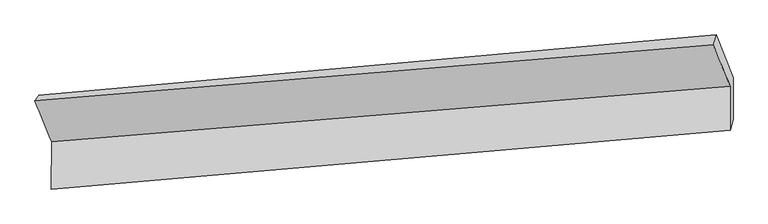
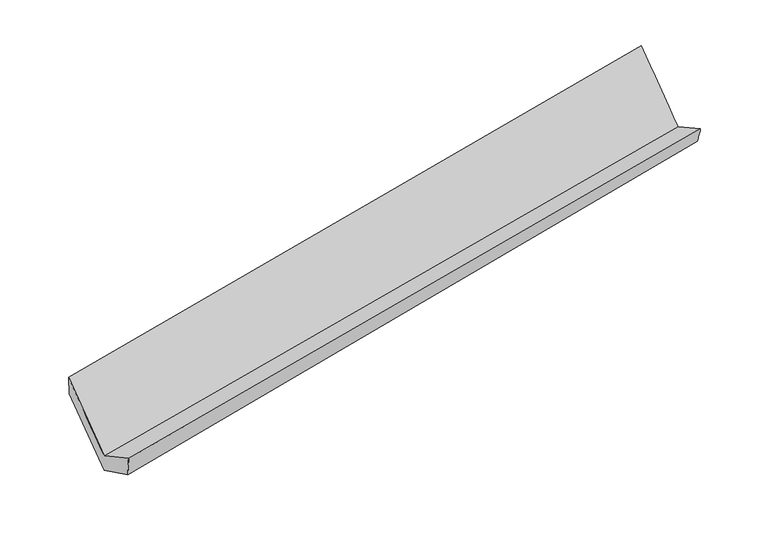
"""IFC4 building model written with IfcOpenShell, lengths in millimetres: proxy geometry."""

import ifcopenshell
import ifcopenshell.guid

model = None  # the IFC model being written
_history = None  # IfcOwnerHistory: only IFC2X3 demands one
_inside = {}  # id of a spatial element -> (the spatial element, [elements in it])
_under = {}  # id of a project, library or spatial element -> (it, [spatial elements below it])
_declared = {}  # id of a project -> (the project, [libraries it declares])
_typed = {}  # id of a type object -> (the type object, [elements of that type])
_made_of = {}  # id of a material, layer set ... -> (it, [elements and type objects made of it])


def new_model(schema):
    """Start an empty IFC model of exactly this schema.

    Asked for "IFC4X3", IfcOpenShell would pick the latest addendum, in which some entities
    have other attributes; the version numbers below select the first issue.
    IFC2X3 requires an IfcOwnerHistory on every rooted entity: one is made here for all.
    """
    global model, _history
    if schema == "IFC4X3":
        model = ifcopenshell.file(schema_version=(4, 3, 0, 0))
    else:
        model = ifcopenshell.file(schema=schema)
    _inside.clear()
    _under.clear()
    _declared.clear()
    _typed.clear()
    _made_of.clear()
    _history = None
    if model.schema == "IFC2X3":
        org = make("IfcOrganization", Name="unknown")
        user = make(
            "IfcPersonAndOrganization",
            ThePerson=make("IfcPerson", FamilyName="unknown"),
            TheOrganization=org,
        )
        app = make(
            "IfcApplication",
            ApplicationDeveloper=org,
            Version="unknown",
            ApplicationFullName="unknown",
            ApplicationIdentifier="unknown",
        )
        _history = make(
            "IfcOwnerHistory",
            OwningUser=user,
            OwningApplication=app,
            ChangeAction="ADDED",
            CreationDate=0,
        )
    return model


def make(cls, **values):
    """One entity of the class cls with the attributes given. An attribute that is None is left unset."""
    return model.create_entity(
        cls, **{name: value for name, value in values.items() if value is not None}
    )


def rooted(cls, **values):
    """An entity with a GlobalId (a new one), such as an element, a storey or a relation."""
    return make(cls, GlobalId=ifcopenshell.guid.new(), OwnerHistory=_history, **values)


def si_unit(unit_type, name, prefix=None):
    """IfcSIUnit, for example si_unit("LENGTHUNIT", "METRE", prefix="MILLI")."""
    return make("IfcSIUnit", UnitType=unit_type, Prefix=prefix, Name=name)


def assignment(units):
    """IfcUnitAssignment: the units of a project."""
    return None if units is None else make("IfcUnitAssignment", Units=units)


def point(xyz):
    """IfcCartesianPoint."""
    return None if xyz is None else make("IfcCartesianPoint", Coordinates=xyz)


def direction(xyz):
    """IfcDirection."""
    return None if xyz is None else make("IfcDirection", DirectionRatios=xyz)


def frame(location, z_axis=None, x_axis=None):
    """IfcAxis2Placement3D, a coordinate frame: its origin and axes. An axis left out is left unset."""
    return make(
        "IfcAxis2Placement3D",
        Location=point(location),
        Axis=direction(z_axis),
        RefDirection=direction(x_axis),
    )


def origin():
    """The frame at (0, 0, 0) with its axes left unset."""
    return frame((0.0, 0.0, 0.0))


def place(relative_to, where):
    """IfcLocalPlacement: puts the frame where relative to a parent placement (None: the world)."""
    return make(
        "IfcLocalPlacement", PlacementRelTo=relative_to, RelativePlacement=where
    )


def context(
    kind, dimensions, precision=None, world=None, true_north=None, identifier=None
):
    """IfcGeometricRepresentationContext, for example the 3D "Model" context."""
    return make(
        "IfcGeometricRepresentationContext",
        ContextIdentifier=identifier,
        ContextType=kind,
        CoordinateSpaceDimension=dimensions,
        Precision=precision,
        WorldCoordinateSystem=world,
        TrueNorth=true_north,
    )


def project(units=None, contexts=None):
    """IfcProject with its units and contexts."""
    return rooted(
        "IfcProject",
        Name="project",
        RepresentationContexts=contexts,
        UnitsInContext=assignment(units),
    )


def spatial(cls, under=None, at=None, **own):
    """A site, building, storey or space (cls), placed at a placement, below another one or the project."""
    s = rooted(cls, ObjectPlacement=at, **own)
    if under is not None:
        _under.setdefault(under.id(), (under, []))[1].append(s)
    return s


def shape(context_of_items, identifier, shape_type, items):
    """IfcShapeRepresentation: the items that make up one representation, for example the "Body"."""
    return make(
        "IfcShapeRepresentation",
        ContextOfItems=context_of_items,
        RepresentationIdentifier=identifier,
        RepresentationType=shape_type,
        Items=items,
    )


def source(mapping_origin, context_of_items, identifier, shape_type, items):
    """IfcRepresentationMap: a shape defined once, which mapped items show again and again."""
    return make(
        "IfcRepresentationMap",
        MappingOrigin=mapping_origin,
        MappedRepresentation=shape(context_of_items, identifier, shape_type, items),
    )


def transform(
    local_origin,
    x_axis=None,
    y_axis=None,
    z_axis=None,
    scale=None,
    scale2=None,
    scale3=None,
    uniform=True,
):
    """IfcCartesianTransformationOperator3D, or its non-uniform kind. x_axis, y_axis, z_axis: its Axis1, 2, 3."""
    if uniform:
        return make(
            "IfcCartesianTransformationOperator3D",
            Axis1=direction(x_axis),
            Axis2=direction(y_axis),
            LocalOrigin=point(local_origin),
            Scale=scale,
            Axis3=direction(z_axis),
        )
    return make(
        "IfcCartesianTransformationOperator3DnonUniform",
        Axis1=direction(x_axis),
        Axis2=direction(y_axis),
        LocalOrigin=point(local_origin),
        Scale=scale,
        Axis3=direction(z_axis),
        Scale2=scale2,
        Scale3=scale3,
    )


def mapped(mapping_source, mapping_target):
    """IfcMappedItem: shows the shape of a source again, moved by a transform."""
    return make(
        "IfcMappedItem", MappingSource=mapping_source, MappingTarget=mapping_target
    )


def made_of(thing, what):
    """Note that an element or type object is made of a material, layer set ...; save() writes the relation."""
    if what is not None:
        _made_of.setdefault(what.id(), (what, []))[1].append(thing)
    return thing


def element(
    cls,
    number,
    at=None,
    inside=None,
    cuts=None,
    type_object=None,
    material=None,
    context=None,
    identifier="Body",
    shape_type=None,
    held_by="IfcProductDefinitionShape",
    body=None,
    shapes=None,
    **own,
):
    """One element of the class cls, such as IfcWall. Its Tag is "e" and its number.

    at: its placement. inside: the storey or other place that contains it. cuts: it is an
    opening in that element (IfcRelVoidsElement). A single representation is given by context,
    identifier, shape_type and body (its items); several are given by shapes. held_by: the class
    of the entity that holds the representations. save() writes the other relations.
    """
    e = rooted(cls, Tag="e%d" % number, ObjectPlacement=at, **own)
    if body is not None:
        shapes = [shape(context, identifier, shape_type, body)]
    if shapes is not None:
        e.Representation = make(held_by, Representations=shapes)
    if inside is not None:
        _inside.setdefault(inside.id(), (inside, []))[1].append(e)
    if cuts is not None:
        rooted(
            "IfcRelVoidsElement", RelatingBuildingElement=cuts, RelatedOpeningElement=e
        )
    if type_object is not None:
        _typed.setdefault(type_object.id(), (type_object, []))[1].append(e)
    return made_of(e, material)


def aggregate(whole, parts):
    """IfcRelAggregates: a whole, such as a stair, and the parts it consists of."""
    return rooted("IfcRelAggregates", RelatingObject=whole, RelatedObjects=parts)


def save(model, path):
    """Write the relations noted so far, then the file.

    IfcRelAggregates (storeys below a building ...), IfcRelContainedInSpatialStructure (elements
    in a storey), IfcRelDefinesByType, IfcRelAssociatesMaterial and IfcRelDeclares: one each for
    every whole, place, type object, material and project.
    """
    for whole, parts in _under.values():
        aggregate(whole, parts)
    for where, things in _inside.values():
        rooted(
            "IfcRelContainedInSpatialStructure",
            RelatedElements=things,
            RelatingStructure=where,
        )
    for kind, things in _typed.values():
        rooted("IfcRelDefinesByType", RelatedObjects=things, RelatingType=kind)
    for what, things in _made_of.values():
        rooted("IfcRelAssociatesMaterial", RelatedObjects=things, RelatingMaterial=what)
    for by, libraries in _declared.values():
        rooted("IfcRelDeclares", RelatingContext=by, RelatedDefinitions=libraries)
    model.write(path)


def plane_surface(at):
    """IfcPlane: the flat surface through the origin of the frame at, square to its z axis."""
    return make("IfcPlane", Position=at)


def spline_surface(u_degree, v_degree, points, u_multiplicities, v_multiplicities, u_knots, v_knots, weights=None):
    """IfcBSplineSurfaceWithKnots; with weights, IfcRationalBSplineSurfaceWithKnots. points: one row for each step in u."""
    own = dict(
        UDegree=u_degree,
        VDegree=v_degree,
        ControlPointsList=[[point(p) for p in row] for row in points],
        SurfaceForm="UNSPECIFIED",
        UClosed=False,
        VClosed=False,
        SelfIntersect=False,
        UMultiplicities=u_multiplicities,
        VMultiplicities=v_multiplicities,
        UKnots=u_knots,
        VKnots=v_knots,
        KnotSpec="UNSPECIFIED",
    )
    if weights is None:
        return make("IfcBSplineSurfaceWithKnots", **own)
    return make("IfcRationalBSplineSurfaceWithKnots", WeightsData=weights, **own)


def advanced_brep(points, edges, surfaces, faces):
    """IfcAdvancedBrep: a solid bounded by faces that lie on surfaces and meet in shared edges.

    An edge is (start, end): straight between two places in points (the first is 0);
    or (start, end, curve); or (start, end, curve, False) where it runs against its curve.
    A face is (place in surfaces, loops), or (place, loops, False) where it looks against
    its surface's normal. A loop lists edges by number (the first is 1), with a minus sign
    where the edge is run from its end to its start. The first loop is the outer one.
    """
    corners = [point(p) for p in points]
    vertices = [make("IfcVertexPoint", VertexGeometry=c) for c in corners]
    made = []
    for start, end, *more in edges:
        made.append(
            make(
                "IfcEdgeCurve",
                EdgeStart=vertices[start],
                EdgeEnd=vertices[end],
                EdgeGeometry=more[0] if more else make("IfcPolyline", Points=[corners[start], corners[end]]),
                SameSense=more[1] if len(more) > 1 else True,
            )
        )
    hull = []
    for where, loops, *sense in faces:
        bounds = []
        for j, loop in enumerate(loops):
            ring = [make("IfcOrientedEdge", EdgeElement=made[abs(k) - 1], Orientation=k > 0) for k in loop]
            bounds.append(
                make(
                    "IfcFaceOuterBound" if j == 0 else "IfcFaceBound",
                    Bound=make("IfcEdgeLoop", EdgeList=ring),
                    Orientation=True,
                )
            )
        hull.append(make("IfcAdvancedFace", Bounds=bounds, FaceSurface=surfaces[where], SameSense=sense[0] if sense else True))
    return make("IfcAdvancedBrep", Outer=make("IfcClosedShell", CfsFaces=hull))


def generic_models_d114b648(model_context):
    return source(origin(), model_context, "Body", "AdvancedBrep", [
        advanced_brep(
        [(-5550.5223442, -1425.2399723, 1864.3032136), (-5423.2974863, -1735.7870107, 1293.2327314), (-236.4947585, -1315.0776351, 2222.0620781), (-368.1718031, -994.6361527, 2811.3265838), (-5423.8153598, -2098.9560774, 1490.6080033), (-236.9722168, -1649.9047462, 2404.0340525), (-5395.888041, -2039.1763262, 1296.7713511), (-215.2281108, -1565.024558, 2232.9737579), (-5399.2262404, -1690.6869242, 1129.5991987), (-214.7784117, -1249.6641395, 2061.5815495), (-5522.8971195, -1383.2978569, 1681.7642268), (-344.9392701, -921.191811, 2637.787685)],
        [
            (0, 1),
            (1, 2),
            (2, 3),
            (3, 0),
            (1, 4),
            (4, 5),
            (5, 2),
            (4, 6),
            (6, 7),
            (7, 5),
            (6, 8),
            (8, 9),
            (9, 7),
            (8, 10),
            (10, 11),
            (11, 9),
            (10, 0),
            (3, 11),
        ],
        [
            spline_surface(1, 1, [[(-5550.5223442, -1425.2399723, 1864.3032136), (-368.1718031, -994.6361527, 2811.3265838)], [(-5423.2974863, -1735.7870107, 1293.2327314), (-236.4947585, -1315.0776351, 2222.0620781)]], [2, 2], [2, 2], [0.0, 1.0], [0.0, 1.0]),
            plane_surface(frame((-5423.5564231, -1917.3715441, 1391.9203673), z_axis=(-0.19240500764835172, 0.46880449131061097, 0.8620920263863), x_axis=(-0.0012529029645689583, -0.878623029102871, 0.47751440079253815))),
            spline_surface(1, 1, [[(-5423.8153598, -2098.9560774, 1490.6080033), (-236.9722168, -1649.9047462, 2404.0340525)], [(-5395.888041, -2039.1763262, 1296.7713511), (-215.2281108, -1565.024558, 2232.9737579)]], [2, 2], [2, 2], [0.0, 1.0], [0.0, 1.0]),
            spline_surface(1, 1, [[(-5395.888041, -2039.1763262, 1296.7713511), (-215.2281108, -1565.024558, 2232.9737579)], [(-5399.2262404, -1690.6869242, 1129.5991987), (-214.7784117, -1249.6641395, 2061.5815495)]], [2, 2], [2, 2], [0.0, 1.0], [0.0, 1.0]),
            spline_surface(1, 1, [[(-5399.2262404, -1690.6869242, 1129.5991987), (-214.7784117, -1249.6641395, 2061.5815495)], [(-5522.8971195, -1383.2978569, 1681.7642268), (-344.9392701, -921.191811, 2637.787685)]], [2, 2], [2, 2], [0.0, 1.0], [0.0, 1.0]),
            spline_surface(1, 1, [[(-5522.8971195, -1383.2978569, 1681.7642268), (-344.9392701, -921.191811, 2637.787685)], [(-5550.5223442, -1425.2399723, 1864.3032136), (-368.1718031, -994.6361527, 2811.3265838)]], [2, 2], [2, 2], [0.0, 1.0], [0.0, 1.0]),
            plane_surface(frame((-269.4307618, -1282.5831738, 2394.9609511), z_axis=(0.9812698338725085, 0.09090554696242759, 0.16984020331853497), x_axis=(-0.19257231896945692, 0.48597311668144916, 0.852494006917142))),
            plane_surface(frame((-5452.6077652, -1728.8573613, 1459.3797875), z_axis=(-0.9813799699241292, -0.09063712003486013, -0.16934658869756306), x_axis=(0.145916700685982, 0.2215386539738333, -0.9641726719091243))),
        ],
        [
            (0, [[1, 2, 3, 4]]),
            (1, [[5, 6, 7, -2]]),
            (2, [[8, 9, 10, -6]]),
            (3, [[11, 12, 13, -9]]),
            (4, [[14, 15, 16, -12]]),
            (5, [[17, -4, 18, -15]]),
            (6, [[-16, -18, -3, -7, -10, -13]]),
            (7, [[-17, -14, -11, -8, -5, -1]]),
        ],
    ),
    ])


if __name__ == "__main__":
    model = new_model("IFC4")
    model_context = context("Model", 3, world=origin())
    ifc_project = project(units=[si_unit("LENGTHUNIT", "METRE", prefix="MILLI")], contexts=[model_context])
    site = spatial("IfcSite", under=ifc_project)
    building = spatial("IfcBuilding", under=site)
    placement = place(None, origin())
    generic_models_shape = generic_models_d114b648(model_context)
    element("IfcBuildingElementProxy", 1, Name="Generic Models", at=placement, inside=building, context=model_context, shape_type="MappedRepresentation", body=[
        mapped(generic_models_shape, transform((0.0, 0.0, 0.0), x_axis=(1.0, 0.0, 0.0), y_axis=(0.0, 1.0, 0.0), z_axis=(0.0, 0.0, 1.0))),
    ])
    save(model, "model.ifc")
